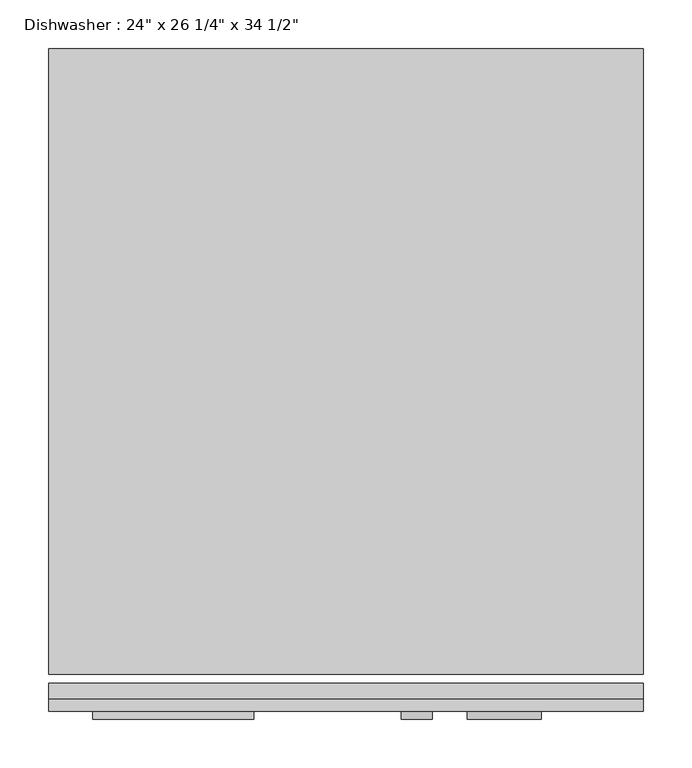
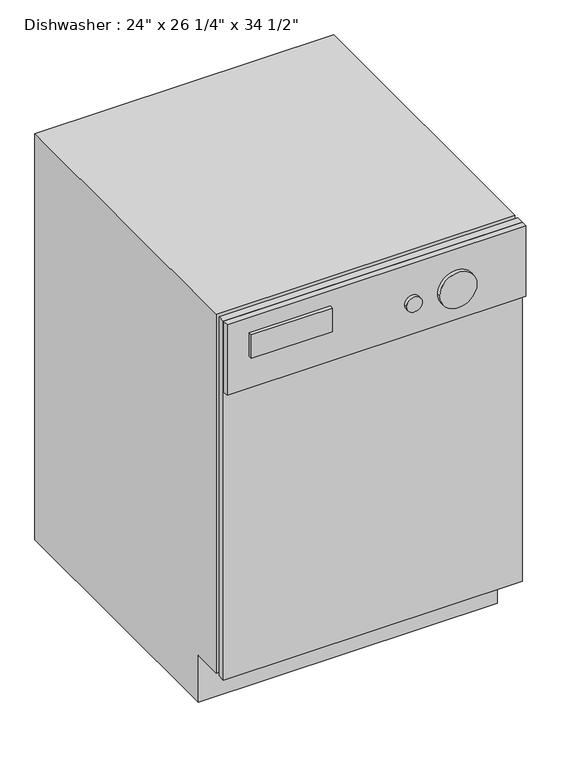
"""IFC4 building model written with IfcOpenShell, lengths in millimetres: proxy geometry."""

from ifc_helpers import new_model, si_unit, point, frame, frame_2d, origin, place, context, project, spatial, polyline, circle_curve, trimmed, segment, composite_curve, outline, extrude, source, transform, mapped, element, save


def proxy_19aded4c(model_context):
    return source(origin(), model_context, "Body", "SweptSolid", [
        extrude(outline(polyline([(687.1174685, -38.3504352), (77.5174685, -38.3504352), (77.5174685, -22.4754352), (687.1174685, -22.4754352), (687.1174685, -38.3504352)])), frame((0.0, 0.0, 101.6), z_axis=(0.0, 0.0, 1.0), x_axis=(1.0, 0.0, 0.0)), (0.0, 0.0, 1.0), 774.7),
        extrude(outline(polyline([(687.1174685, -38.3504352), (687.1174685, -51.0504352), (77.5174685, -51.0504352), (77.5174685, -38.3504352), (687.1174685, -38.3504352)])), frame((0.0, 0.0, 723.9), z_axis=(0.0, 0.0, 1.0), x_axis=(1.0, 0.0, 0.0)), (0.0, 0.0, 1.0), 152.4),
        extrude(outline(polyline([(628.3995648, 0.0), (50.5495648, 0.0), (50.5495648, 101.6), (-12.9504352, 101.6), (-12.9504352, 876.3), (628.3995648, 876.3), (628.3995648, 0.0)])), frame((77.5174685, 0.0, 0.0), z_axis=(1.0, 0.0, 0.0), x_axis=(0.0, 1.0, 0.0)), (0.0, 0.0, 1.0), 609.6),
        extrude(outline(polyline([(287.6378068, -59.1863727), (122.5378068, -59.1863727), (122.5378068, -51.0504352), (287.6378068, -51.0504352), (287.6378068, -59.1863727)])), frame((0.0, 0.0, 792.7846419), z_axis=(0.0, 0.0, 1.0), x_axis=(1.0, 0.0, 0.0)), (0.0, 0.0, 1.0), 50.8),
        extrude(outline(composite_curve([segment(trimmed(circle_curve(frame_2d((792.7846419, 544.7247133)), 38.1), [point((792.7846419, 506.6247133))], [point((792.7846419, 582.8247133))], False, "CARTESIAN"), True, "CONTINUOUS"), segment(trimmed(circle_curve(frame_2d((792.7846419, 544.7247133)), 38.1), [point((792.7846419, 582.8247133))], [point((792.7846419, 506.6247133))], False, "CARTESIAN"), True, "CONTINUOUS")], self_intersect=False)), frame((0.0, -59.1863727, 0.0), z_axis=(0.0, 1.0, 0.0), x_axis=(0.0, 0.0, 1.0)), (0.0, 0.0, 1.0), 8.1359375),
        extrude(outline(composite_curve([segment(trimmed(circle_curve(frame_2d((792.7846419, 455.195318)), 15.875), [point((792.7846419, 439.320318))], [point((792.7846419, 471.070318))], False, "CARTESIAN"), True, "CONTINUOUS"), segment(trimmed(circle_curve(frame_2d((792.7846419, 455.195318)), 15.875), [point((792.7846419, 471.070318))], [point((792.7846419, 439.320318))], False, "CARTESIAN"), True, "CONTINUOUS")], self_intersect=False)), frame((0.0, -59.1863727, 0.0), z_axis=(0.0, 1.0, 0.0), x_axis=(0.0, 0.0, 1.0)), (0.0, 0.0, 1.0), 8.1359375),
    ])


if __name__ == "__main__":
    model = new_model("IFC4")
    model_context = context("Model", 3, world=origin())
    ifc_project = project(units=[si_unit("LENGTHUNIT", "METRE", prefix="MILLI")], contexts=[model_context])
    site = spatial("IfcSite", under=ifc_project)
    building = spatial("IfcBuilding", under=site)
    placement = place(None, origin())
    proxy_shape = proxy_19aded4c(model_context)
    element("IfcBuildingElementProxy", 1, Name="Dishwasher : 24\" x 26 1/4\" x 34 1/2\"", ObjectType="Dishwasher : 24\" x 26 1/4\" x 34 1/2\"", at=placement, inside=building, context=model_context, shape_type="MappedRepresentation", body=[
        mapped(proxy_shape, transform((0.0, 0.0, 0.0), x_axis=(1.0, 0.0, 0.0), y_axis=(0.0, 1.0, 0.0), z_axis=(0.0, 0.0, 1.0))),
    ])
    save(model, "model.ifc")
